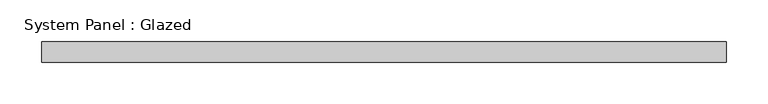
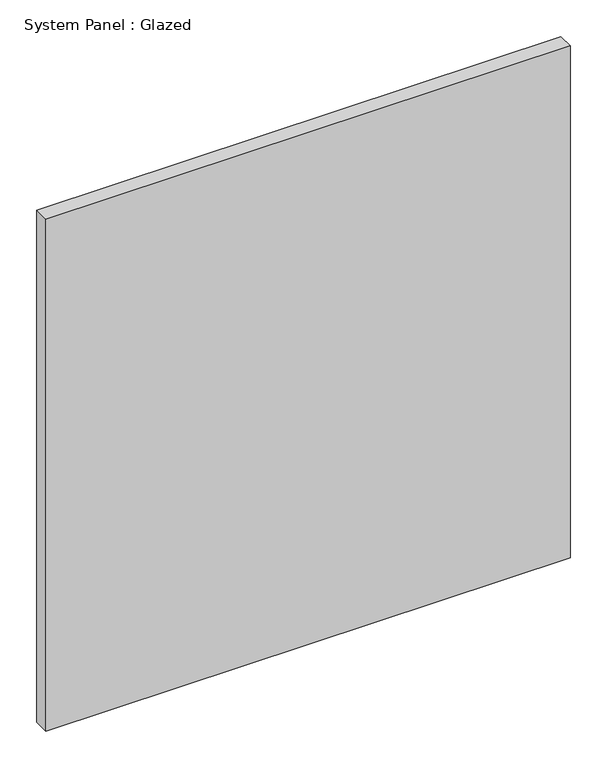
"""IFC4 building model written with IfcOpenShell, lengths in millimetres: plate geometry, System Panel : Glazed."""

from ifc_helpers import new_model, si_unit, origin, origin_with_axes, place, context, project, spatial, polyline, outline, extrude, source, transform, mapped, element, save


def system_panel_glazed_942c0bcf(model_context):
    return source(origin(), model_context, "Body", "SweptSolid", [
        extrude(outline(polyline([(412.5, -49.5), (-412.5, -49.5), (-412.5, -24.5), (412.5, -24.5), (412.5, -49.5)])), origin_with_axes(), (0.0, 0.0, 1.0), 851.6666667),
    ])


if __name__ == "__main__":
    model = new_model("IFC4")
    model_context = context("Model", 3, world=origin())
    ifc_project = project(units=[si_unit("LENGTHUNIT", "METRE", prefix="MILLI")], contexts=[model_context])
    site = spatial("IfcSite", under=ifc_project)
    building = spatial("IfcBuilding", under=site)
    placement = place(None, origin())
    system_panel_glazed_shape = system_panel_glazed_942c0bcf(model_context)
    element("IfcPlate", 1, ObjectType="System Panel : Glazed", at=placement, inside=building, context=model_context, shape_type="MappedRepresentation", body=[
        mapped(system_panel_glazed_shape, transform((0.0, 0.0, 0.0), x_axis=(1.0, 0.0, 0.0), y_axis=(0.0, 1.0, 0.0), z_axis=(0.0, 0.0, 1.0))),
    ])
    save(model, "model.ifc")
